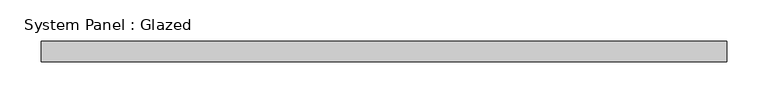
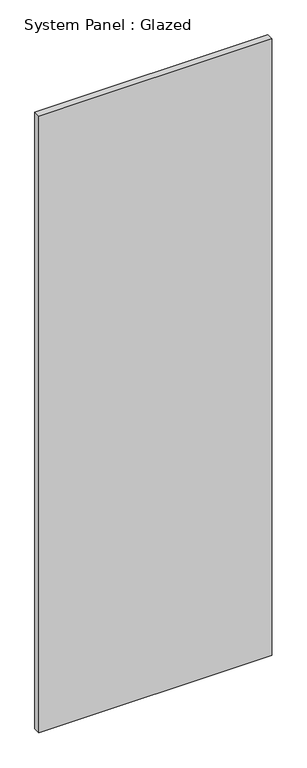
"""IFC4 building model written with IfcOpenShell, lengths in millimetres: plate geometry, System Panel : Glazed."""

from ifc_helpers import new_model, si_unit, origin, origin_with_axes, place, context, project, spatial, polyline, outline, extrude, source, transform, mapped, element, save


def system_panel_glazed_8ba7ff43(model_context):
    return source(origin(), model_context, "Body", "SweptSolid", [
        extrude(outline(polyline([(415.0, 24.5), (-415.0, 24.5), (-415.0, 49.5), (415.0, 49.5), (415.0, 24.5)])), origin_with_axes(), (0.0, 0.0, 1.0), 2325.0),
    ])


if __name__ == "__main__":
    model = new_model("IFC4")
    model_context = context("Model", 3, world=origin())
    ifc_project = project(units=[si_unit("LENGTHUNIT", "METRE", prefix="MILLI")], contexts=[model_context])
    site = spatial("IfcSite", under=ifc_project)
    building = spatial("IfcBuilding", under=site)
    placement = place(None, origin())
    system_panel_glazed_shape = system_panel_glazed_8ba7ff43(model_context)
    element("IfcPlate", 1, ObjectType="System Panel : Glazed", at=placement, inside=building, context=model_context, shape_type="MappedRepresentation", body=[
        mapped(system_panel_glazed_shape, transform((0.0, 0.0, 0.0), x_axis=(1.0, 0.0, 0.0), y_axis=(0.0, 1.0, 0.0), z_axis=(0.0, 0.0, 1.0))),
    ])
    save(model, "model.ifc")
